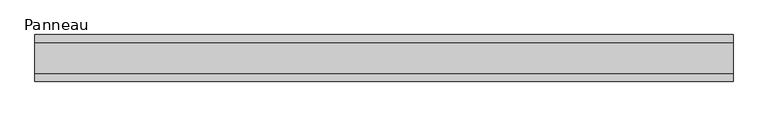
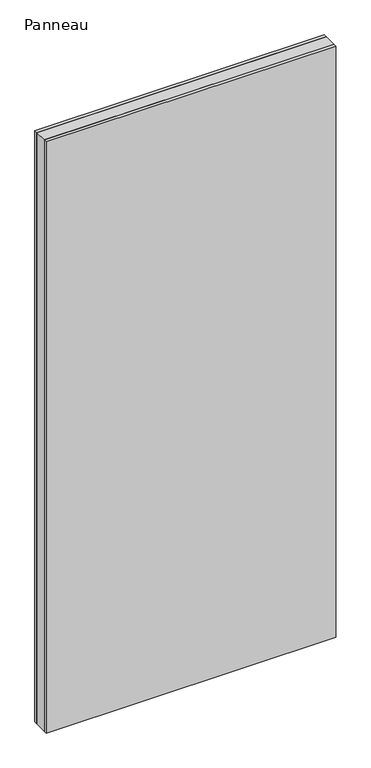
"""IFC4 building model written with IfcOpenShell, lengths in millimetres: plate geometry, Panneau."""

from ifc_helpers import new_model, si_unit, origin, origin_with_axes, place, context, project, spatial, polyline, outline, extrude, source, transform, mapped, element, save


def panneau_035ea5c5(model_context):
    return source(origin(), model_context, "Body", "SweptSolid", [
        extrude(outline(polyline([(668.4166668, 29.0), (668.4166668, -29.0), (-668.4166668, -29.0), (-668.4166668, 29.0), (668.4166668, 29.0)])), origin_with_axes(), (0.0, 0.0, 1.0), 2885.0),
        extrude(outline(polyline([(668.4166668, 45.0), (668.4166668, 29.0), (-668.4166668, 29.0), (-668.4166668, 45.0), (668.4166668, 45.0)])), origin_with_axes(), (0.0, 0.0, 1.0), 2885.0),
        extrude(outline(polyline([(-668.4166668, -45.0), (-668.4166668, -29.0), (668.4166668, -29.0), (668.4166668, -45.0), (-668.4166668, -45.0)])), origin_with_axes(), (0.0, 0.0, 1.0), 2885.0),
    ])


if __name__ == "__main__":
    model = new_model("IFC4")
    model_context = context("Model", 3, world=origin())
    ifc_project = project(units=[si_unit("LENGTHUNIT", "METRE", prefix="MILLI")], contexts=[model_context])
    site = spatial("IfcSite", under=ifc_project)
    building = spatial("IfcBuilding", under=site)
    placement = place(None, origin())
    panneau_shape = panneau_035ea5c5(model_context)
    element("IfcPlate", 1, ObjectType="Panneau", at=placement, inside=building, context=model_context, shape_type="MappedRepresentation", body=[
        mapped(panneau_shape, transform((0.0, 0.0, 0.0), x_axis=(1.0, 0.0, 0.0), y_axis=(0.0, 1.0, 0.0), z_axis=(0.0, 0.0, 1.0))),
    ])
    save(model, "model.ifc")
